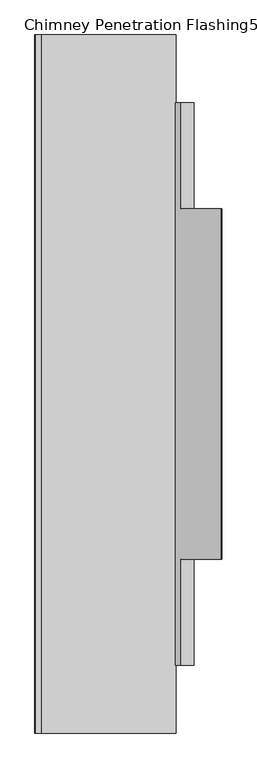
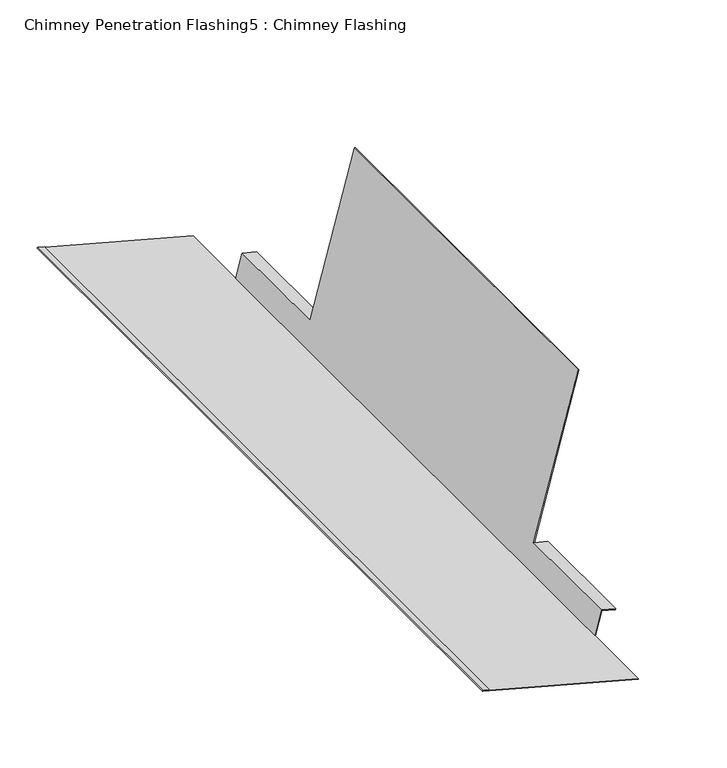
"""IFC4 building model written with IfcOpenShell, lengths in millimetres: proxy geometry, Chimney Penetration Flashing5 : Chimney Flashing."""

from ifc_helpers import new_model, si_unit, frame, origin, place, context, project, spatial, circle_curve, source, transform, mapped, element, save
from ifc_brep_helpers import plane_surface, cylinder_surface, advanced_brep


def chimney_penetration_flashing5_chimney_flashing_ba1de142(model_context):
    return source(origin(), model_context, "Body", "AdvancedBrep", [
        advanced_brep(
        [(9698.6953655, -13521.7134194, 9945.6112442), (9698.9539312, -13521.7134194, 9946.5772379), (9467.0989255, -13521.7134194, 10008.5722555), (9467.3572377, -13521.7134194, 10009.5383169), (9457.6966231, -13521.7134194, 10012.1214399), (9457.1799985, -13521.7134194, 10010.1893169), (9698.6953655, -12321.7134194, 9945.6112442), (9457.1799985, -12321.7134194, 10010.1893169), (9457.6966231, -12321.7134194, 10012.1214399), (9467.3572377, -12321.7134194, 10009.5383169), (9467.0989255, -12321.7134194, 10008.5722555), (9698.9539312, -12321.7134194, 9946.5772379), (9698.9539312, -12438.0499707, 9946.5772379), (9709.037993, -12438.0499707, 9984.2509927), (9709.037993, -12620.7134194, 9984.2509927), (9709.2965587, -12620.7134194, 9985.2169864), (9778.7658665, -12620.7134194, 10244.752255), (9778.7658665, -13222.7134194, 10244.752255), (9709.2965587, -13222.7134194, 9985.2169864), (9709.037993, -13222.7134194, 9984.2509927), (9709.037993, -13405.3768682, 9984.2509927), (9698.9539312, -13405.3768682, 9946.5772379), (9697.9878697, -13405.3768682, 9946.8355502), (9697.9878697, -12438.0499707, 9946.8355502), (9777.7998728, -13222.7134194, 10245.0108207), (9708.3306328, -13222.7134194, 9985.4758055), (9777.7998728, -12620.7134194, 10245.0108207), (9708.3306328, -12620.7134194, 9985.4758055), (9730.6457254, -13222.7134194, 9979.4964945), (9730.3871597, -13222.7134194, 9978.5305007), (9730.6457254, -13405.3768682, 9979.4964945), (9730.3871597, -13405.3768682, 9978.5305007), (9708.3306328, -12438.0499707, 9985.4758055), (9708.3306328, -13405.3768682, 9985.4758055), (9730.3871597, -12620.7134194, 9978.5305007), (9730.6457254, -12620.7134194, 9979.4964945), (9730.6457254, -12438.0499707, 9979.4964945), (9730.3871597, -12438.0499707, 9978.5305007)],
        [
            (0, 1),
            (1, 2),
            (2, 3),
            (3, 4),
            (4, 5, circle_curve(frame((9457.4383108, -13521.7134194, 10011.1553784), z_axis=(0.0, -1.0, 0.0), x_axis=(-0.49954561977112655, 0.0, -0.8662875814459544)), 1.0)),
            (5, 0),
            (6, 7),
            (7, 8, circle_curve(frame((9457.4383108, -12321.7134194, 10011.1553784), z_axis=(0.0, 1.0, 0.0), x_axis=(-0.49954561977112655, 0.0, -0.8662875814459544)), 1.0)),
            (8, 9),
            (9, 10),
            (10, 11),
            (11, 6),
            (0, 6),
            (11, 12),
            (12, 13),
            (13, 14),
            (14, 15),
            (15, 16),
            (16, 17),
            (17, 18),
            (18, 19),
            (19, 20),
            (20, 21),
            (21, 1),
            (21, 22),
            (22, 23),
            (23, 12),
            (10, 2),
            (9, 3),
            (8, 4),
            (7, 5),
            (17, 24),
            (24, 25),
            (25, 18),
            (26, 16),
            (15, 27),
            (27, 26),
            (26, 24),
            (28, 29),
            (29, 19),
            (18, 28),
            (30, 31),
            (31, 29),
            (28, 30),
            (31, 20),
            (27, 32),
            (32, 23),
            (22, 33),
            (33, 25),
            (30, 33),
            (14, 34),
            (34, 35),
            (35, 15),
            (36, 37),
            (37, 13),
            (32, 36),
            (34, 37),
            (36, 35),
        ],
        [
            plane_surface(frame((7992.0481258, -13521.7134194, 10336.9190019), z_axis=(0.0, -1.0, 0.0), x_axis=(-0.8662875814459544, 0.0, 0.49954561977112655))),
            plane_surface(frame((7992.0481258, -12321.7134194, 10336.9190019), z_axis=(0.0, 1.0, 0.0), x_axis=(-0.8662875814459544, 0.0, 0.49954561977112655))),
            plane_surface(frame((9698.6953655, -13521.7134194, 9945.6112442), z_axis=(0.9659936804777709, 0.0, -0.25856567691209587), x_axis=(0.0, 1.0, 0.0))),
            plane_surface(frame((9698.9539312, -13521.7134194, 9946.5772379), z_axis=(0.2583122909324994, 0.0, 0.9660614682064511), x_axis=(0.0, 1.0, 0.0))),
            plane_surface(frame((9467.0989255, -13521.7134194, 10008.5722555), z_axis=(0.9660614682064237, 0.0, -0.2583122909326017), x_axis=(0.0, 1.0, 0.0))),
            plane_surface(frame((9467.3572377, -13521.7134194, 10009.5383169), z_axis=(0.2583122909325091, 0.0, 0.9660614682064486), x_axis=(0.0, 1.0, 0.0))),
            cylinder_surface(frame((9457.4383108, -13521.7134194, 10011.1553784), z_axis=(0.0, -1.0, 0.0), x_axis=(-0.49954561977112655, 0.0, -0.8662875814459544)), 1.0),
            plane_surface(frame((9457.1799985, -13521.7134194, 10010.1893169), z_axis=(-0.2583122909324994, 0.0, -0.9660614682064511), x_axis=(0.0, 1.0, 0.0))),
            plane_surface(frame((7992.0481258, -13222.7134194, 10336.9190019), z_axis=(0.0, -1.0, 0.0), x_axis=(-0.8662875814459544, 0.0, 0.49954561977112655))),
            plane_surface(frame((7992.0481258, -12620.7134194, 10336.9190019), z_axis=(0.0, 1.0, 0.0), x_axis=(-0.8662875814459544, 0.0, 0.49954561977112655))),
            plane_surface(frame((9778.7658665, -13222.7134194, 10244.752255), z_axis=(0.2585656769122504, 0.0, 0.9659936804777295), x_axis=(0.0, 1.0, 0.0))),
            plane_surface(frame((7992.0481258, -13222.7134194, 10336.9190019), z_axis=(0.0, 1.0, 0.0), x_axis=(-0.8662875814459544, 0.0, 0.49954561977112655))),
            plane_surface(frame((9730.3871597, -13405.3768682, 9978.5305007), z_axis=(0.9659936804777709, 0.0, -0.25856567691209587), x_axis=(0.0, 1.0, 0.0))),
            plane_surface(frame((9709.037993, -13405.3768682, 9984.2509927), z_axis=(-0.2588190451025206, 0.0, -0.9659258262890684), x_axis=(0.0, 1.0, 0.0))),
            plane_surface(frame((9777.7998728, -13222.7134194, 10245.0108207), z_axis=(-0.9659936804777581, 0.0, 0.25856567691214355), x_axis=(0.0, 1.0, 0.0))),
            plane_surface(frame((7992.0481258, -13405.3768682, 10336.9190019), z_axis=(0.0, -1.0, 0.0), x_axis=(-0.8662875814459544, 0.0, 0.49954561977112655))),
            plane_surface(frame((9730.6457254, -13405.3768682, 9979.4964945), z_axis=(0.2588190451032082, 0.0, 0.9659258262888841), x_axis=(0.0, 1.0, 0.0))),
            plane_surface(frame((7992.0481258, -12620.7134194, 10336.9190019), z_axis=(0.0, -1.0, 0.0), x_axis=(-0.8662875814459544, 0.0, 0.49954561977112655))),
            plane_surface(frame((7992.0481258, -12438.0499707, 10336.9190019), z_axis=(0.0, 1.0, 0.0), x_axis=(-0.8662875814459544, 0.0, 0.49954561977112655))),
            plane_surface(frame((9730.3871597, -12620.7134194, 9978.5305007), z_axis=(0.9659936804777709, 0.0, -0.25856567691209587), x_axis=(0.0, 1.0, 0.0))),
            plane_surface(frame((9709.037993, -12620.7134194, 9984.2509927), z_axis=(-0.2588190451025206, 0.0, -0.9659258262890684), x_axis=(0.0, 1.0, 0.0))),
            plane_surface(frame((9730.6457254, -12620.7134194, 9979.4964945), z_axis=(0.2588190451032082, 0.0, 0.9659258262888841), x_axis=(0.0, 1.0, 0.0))),
        ],
        [
            (0, [[1, 2, 3, 4, 5, 6]]),
            (1, [[7, 8, 9, 10, 11, 12]]),
            (2, [[-1, 13, -12, 14, 15, 16, 17, 18, 19, 20, 21, 22, 23, 24]]),
            (3, [[-2, -24, 25, 26, 27, -14, -11, 28]]),
            (4, [[-3, -28, -10, 29]]),
            (5, [[-4, -29, -9, 30]]),
            (6, [[-5, -30, -8, 31]]),
            (7, [[-6, -31, -7, -13]]),
            (8, [[32, 33, 34, -20]]),
            (9, [[35, -18, 36, 37]]),
            (10, [[-32, -19, -35, 38]]),
            (11, [[39, 40, -21, 41]]),
            (12, [[42, 43, -39, 44]]),
            (13, [[45, -22, -40, -43]]),
            (14, [[-38, -37, 46, 47, -26, 48, 49, -33]]),
            (15, [[50, -48, -25, -23, -45, -42]]),
            (16, [[-50, -44, -41, -34, -49]]),
            (17, [[51, 52, 53, -17]]),
            (18, [[54, 55, -15, -27, -47, 56]]),
            (19, [[-52, 57, -54, 58]]),
            (20, [[-51, -16, -55, -57]]),
            (21, [[-56, -46, -36, -53, -58]]),
        ],
    ),
    ])


if __name__ == "__main__":
    model = new_model("IFC4")
    model_context = context("Model", 3, world=origin())
    ifc_project = project(units=[si_unit("LENGTHUNIT", "METRE", prefix="MILLI")], contexts=[model_context])
    site = spatial("IfcSite", under=ifc_project)
    building = spatial("IfcBuilding", under=site)
    placement = place(None, origin())
    chimney_penetration_flashing5_chimney_flashing_shape = chimney_penetration_flashing5_chimney_flashing_ba1de142(model_context)
    element("IfcBuildingElementProxy", 1, Name="Chimney Penetration Flashing5 : Chimney Flashing", ObjectType="Chimney Penetration Flashing5 : Chimney Flashing", at=placement, inside=building, context=model_context, shape_type="MappedRepresentation", body=[
        mapped(chimney_penetration_flashing5_chimney_flashing_shape, transform((0.0, 0.0, 0.0), x_axis=(1.0, 0.0, 0.0), y_axis=(0.0, 1.0, 0.0), z_axis=(0.0, 0.0, 1.0))),
    ])
    save(model, "model.ifc")
